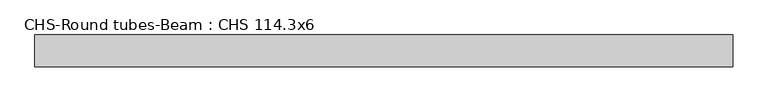
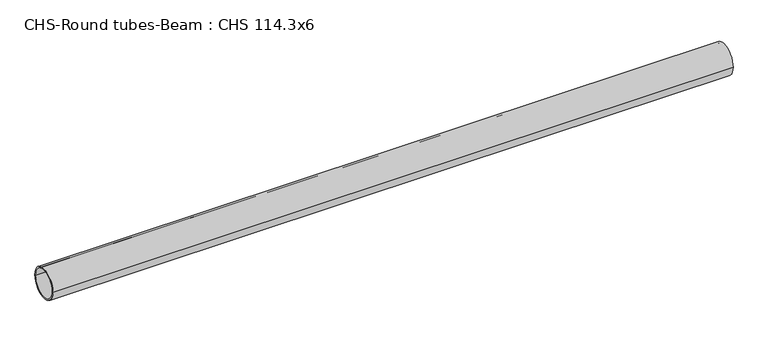
"""IFC4 building model written with IfcOpenShell, lengths in millimetres: beam geometry, CHS-Round tubes-Beam : CHS 114.3x6."""

from ifc_helpers import new_model, si_unit, point, frame, origin, origin_2d, place, context, project, spatial, circle_curve, trimmed, segment, composite_curve, outline, extrude, source, transform, mapped, element, save


def chs_round_tubes_beam_chs_114_3x6_bb2d59b0(model_context):
    return source(origin(), model_context, "Body", "SweptSolid", [
        extrude(outline(composite_curve([segment(trimmed(circle_curve(origin_2d(), 57.15), [point((57.15, 0.0))], [point((-57.15, 0.0))], False, "CARTESIAN"), True, "CONTINUOUS"), segment(trimmed(circle_curve(origin_2d(), 57.15), [point((-57.15, 0.0))], [point((57.15, 0.0))], False, "CARTESIAN"), True, "CONTINUOUS")], self_intersect=False), holes=[composite_curve([segment(trimmed(circle_curve(origin_2d(), 51.15), [point((51.15, 0.0))], [point((-51.15, 0.0))], True, "CARTESIAN"), True, "CONTINUOUS"), segment(trimmed(circle_curve(origin_2d(), 51.15), [point((-51.15, 0.0))], [point((51.15, 0.0))], True, "CARTESIAN"), True, "CONTINUOUS")], self_intersect=False)]), frame((-1089.5497603, 0.0, 0.0), z_axis=(1.0, 0.0, 0.0), x_axis=(0.0, 1.0, 0.0)), (0.0, 0.0, 1.0), 2500.2693081),
    ])


if __name__ == "__main__":
    model = new_model("IFC4")
    model_context = context("Model", 3, world=origin())
    ifc_project = project(units=[si_unit("LENGTHUNIT", "METRE", prefix="MILLI")], contexts=[model_context])
    site = spatial("IfcSite", under=ifc_project)
    building = spatial("IfcBuilding", under=site)
    placement = place(None, origin())
    chs_round_tubes_beam_chs_114_3x6_shape = chs_round_tubes_beam_chs_114_3x6_bb2d59b0(model_context)
    element("IfcBeam", 1, ObjectType="CHS-Round tubes-Beam : CHS 114.3x6", at=placement, inside=building, context=model_context, shape_type="MappedRepresentation", body=[
        mapped(chs_round_tubes_beam_chs_114_3x6_shape, transform((0.0, 0.0, 0.0), x_axis=(1.0, 0.0, 0.0), y_axis=(0.0, 1.0, 0.0), z_axis=(0.0, 0.0, 1.0))),
    ])
    save(model, "model.ifc")
